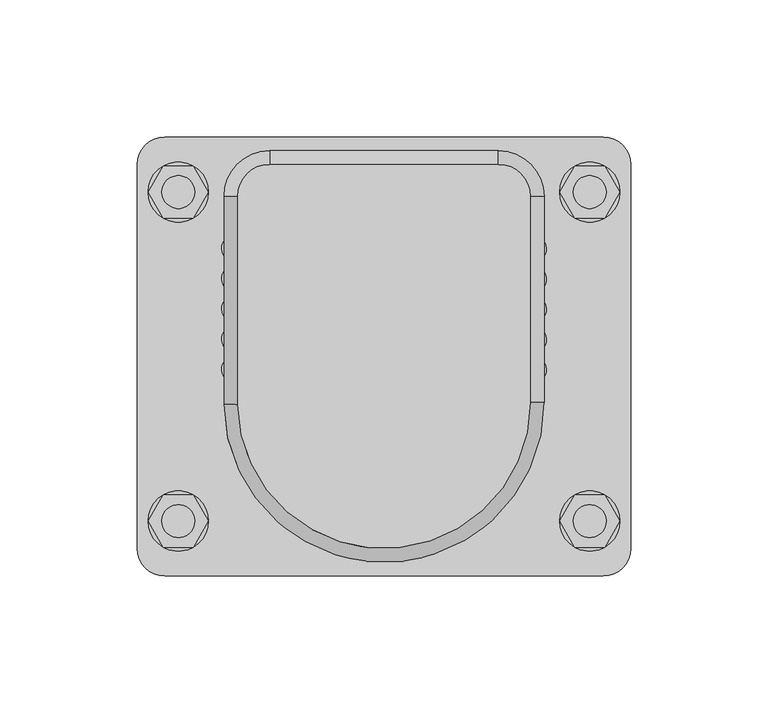
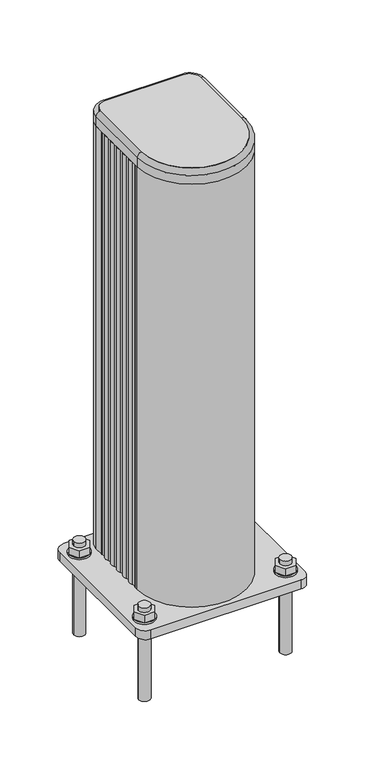
"""IFC4 building model written with IfcOpenShell, lengths in millimetres: proxy geometry."""

import ifcopenshell
import ifcopenshell.guid

model = None  # the IFC model being written
_history = None  # IfcOwnerHistory: only IFC2X3 demands one
_inside = {}  # id of a spatial element -> (the spatial element, [elements in it])
_under = {}  # id of a project, library or spatial element -> (it, [spatial elements below it])
_declared = {}  # id of a project -> (the project, [libraries it declares])
_typed = {}  # id of a type object -> (the type object, [elements of that type])
_made_of = {}  # id of a material, layer set ... -> (it, [elements and type objects made of it])


def new_model(schema):
    """Start an empty IFC model of exactly this schema.

    Asked for "IFC4X3", IfcOpenShell would pick the latest addendum, in which some entities
    have other attributes; the version numbers below select the first issue.
    IFC2X3 requires an IfcOwnerHistory on every rooted entity: one is made here for all.
    """
    global model, _history
    if schema == "IFC4X3":
        model = ifcopenshell.file(schema_version=(4, 3, 0, 0))
    else:
        model = ifcopenshell.file(schema=schema)
    _inside.clear()
    _under.clear()
    _declared.clear()
    _typed.clear()
    _made_of.clear()
    _history = None
    if model.schema == "IFC2X3":
        org = make("IfcOrganization", Name="unknown")
        user = make(
            "IfcPersonAndOrganization",
            ThePerson=make("IfcPerson", FamilyName="unknown"),
            TheOrganization=org,
        )
        app = make(
            "IfcApplication",
            ApplicationDeveloper=org,
            Version="unknown",
            ApplicationFullName="unknown",
            ApplicationIdentifier="unknown",
        )
        _history = make(
            "IfcOwnerHistory",
            OwningUser=user,
            OwningApplication=app,
            ChangeAction="ADDED",
            CreationDate=0,
        )
    return model


def make(cls, **values):
    """One entity of the class cls with the attributes given. An attribute that is None is left unset."""
    return model.create_entity(
        cls, **{name: value for name, value in values.items() if value is not None}
    )


def rooted(cls, **values):
    """An entity with a GlobalId (a new one), such as an element, a storey or a relation."""
    return make(cls, GlobalId=ifcopenshell.guid.new(), OwnerHistory=_history, **values)


def si_unit(unit_type, name, prefix=None):
    """IfcSIUnit, for example si_unit("LENGTHUNIT", "METRE", prefix="MILLI")."""
    return make("IfcSIUnit", UnitType=unit_type, Prefix=prefix, Name=name)


def assignment(units):
    """IfcUnitAssignment: the units of a project."""
    return None if units is None else make("IfcUnitAssignment", Units=units)


def point(xyz):
    """IfcCartesianPoint."""
    return None if xyz is None else make("IfcCartesianPoint", Coordinates=xyz)


def direction(xyz):
    """IfcDirection."""
    return None if xyz is None else make("IfcDirection", DirectionRatios=xyz)


def frame(location, z_axis=None, x_axis=None):
    """IfcAxis2Placement3D, a coordinate frame: its origin and axes. An axis left out is left unset."""
    return make(
        "IfcAxis2Placement3D",
        Location=point(location),
        Axis=direction(z_axis),
        RefDirection=direction(x_axis),
    )


def frame_2d(location, x_axis=None):
    """IfcAxis2Placement2D, a coordinate frame in the plane: its origin and x axis."""
    return make(
        "IfcAxis2Placement2D", Location=point(location), RefDirection=direction(x_axis)
    )


def origin():
    """The frame at (0, 0, 0) with its axes left unset."""
    return frame((0.0, 0.0, 0.0))


def origin_with_axes():
    """The frame at (0, 0, 0) with the z axis (0, 0, 1) and the x axis (1, 0, 0) written out."""
    return frame((0.0, 0.0, 0.0), z_axis=(0.0, 0.0, 1.0), x_axis=(1.0, 0.0, 0.0))


def place(relative_to, where):
    """IfcLocalPlacement: puts the frame where relative to a parent placement (None: the world)."""
    return make(
        "IfcLocalPlacement", PlacementRelTo=relative_to, RelativePlacement=where
    )


def context(
    kind, dimensions, precision=None, world=None, true_north=None, identifier=None
):
    """IfcGeometricRepresentationContext, for example the 3D "Model" context."""
    return make(
        "IfcGeometricRepresentationContext",
        ContextIdentifier=identifier,
        ContextType=kind,
        CoordinateSpaceDimension=dimensions,
        Precision=precision,
        WorldCoordinateSystem=world,
        TrueNorth=true_north,
    )


def project(units=None, contexts=None):
    """IfcProject with its units and contexts."""
    return rooted(
        "IfcProject",
        Name="project",
        RepresentationContexts=contexts,
        UnitsInContext=assignment(units),
    )


def spatial(cls, under=None, at=None, **own):
    """A site, building, storey or space (cls), placed at a placement, below another one or the project."""
    s = rooted(cls, ObjectPlacement=at, **own)
    if under is not None:
        _under.setdefault(under.id(), (under, []))[1].append(s)
    return s


def polyline(points):
    """IfcPolyline through the points."""
    return make("IfcPolyline", Points=[point(p) for p in points])


def circle_curve(where, radius):
    """IfcCircle in the frame where."""
    return make("IfcCircle", Position=where, Radius=radius)


def ellipse_curve(where, semi_axis1, semi_axis2):
    """IfcEllipse in the frame where."""
    return make(
        "IfcEllipse", Position=where, SemiAxis1=semi_axis1, SemiAxis2=semi_axis2
    )


def trimmed(basis, trim1, trim2, sense, master):
    """IfcTrimmedCurve: the piece of a basis curve between two trims."""
    return make(
        "IfcTrimmedCurve",
        BasisCurve=basis,
        Trim1=trim1,
        Trim2=trim2,
        SenseAgreement=sense,
        MasterRepresentation=master,
    )


def segment(curve, same_sense, transition):
    """IfcCompositeCurveSegment."""
    return make(
        "IfcCompositeCurveSegment",
        Transition=transition,
        SameSense=same_sense,
        ParentCurve=curve,
    )


def composite_curve(segments, self_intersect=None):
    """IfcCompositeCurve: segments joined end to end."""
    return make("IfcCompositeCurve", Segments=segments, SelfIntersect=self_intersect)


def outline(outer, holes=None, kind="AREA"):
    """IfcArbitraryClosedProfileDef: a profile drawn as a closed curve; with holes, ...WithVoids."""
    if holes is None:
        return make("IfcArbitraryClosedProfileDef", ProfileType=kind, OuterCurve=outer)
    return make(
        "IfcArbitraryProfileDefWithVoids",
        ProfileType=kind,
        OuterCurve=outer,
        InnerCurves=holes,
    )


def extrude(swept, where, along, depth):
    """IfcExtrudedAreaSolid: the profile swept, set in the frame where, extruded along a direction by depth."""
    return make(
        "IfcExtrudedAreaSolid",
        SweptArea=swept,
        Position=where,
        ExtrudedDirection=direction(along),
        Depth=depth,
    )


def shape(context_of_items, identifier, shape_type, items):
    """IfcShapeRepresentation: the items that make up one representation, for example the "Body"."""
    return make(
        "IfcShapeRepresentation",
        ContextOfItems=context_of_items,
        RepresentationIdentifier=identifier,
        RepresentationType=shape_type,
        Items=items,
    )


def source(mapping_origin, context_of_items, identifier, shape_type, items):
    """IfcRepresentationMap: a shape defined once, which mapped items show again and again."""
    return make(
        "IfcRepresentationMap",
        MappingOrigin=mapping_origin,
        MappedRepresentation=shape(context_of_items, identifier, shape_type, items),
    )


def transform(
    local_origin,
    x_axis=None,
    y_axis=None,
    z_axis=None,
    scale=None,
    scale2=None,
    scale3=None,
    uniform=True,
):
    """IfcCartesianTransformationOperator3D, or its non-uniform kind. x_axis, y_axis, z_axis: its Axis1, 2, 3."""
    if uniform:
        return make(
            "IfcCartesianTransformationOperator3D",
            Axis1=direction(x_axis),
            Axis2=direction(y_axis),
            LocalOrigin=point(local_origin),
            Scale=scale,
            Axis3=direction(z_axis),
        )
    return make(
        "IfcCartesianTransformationOperator3DnonUniform",
        Axis1=direction(x_axis),
        Axis2=direction(y_axis),
        LocalOrigin=point(local_origin),
        Scale=scale,
        Axis3=direction(z_axis),
        Scale2=scale2,
        Scale3=scale3,
    )


def mapped(mapping_source, mapping_target):
    """IfcMappedItem: shows the shape of a source again, moved by a transform."""
    return make(
        "IfcMappedItem", MappingSource=mapping_source, MappingTarget=mapping_target
    )


def made_of(thing, what):
    """Note that an element or type object is made of a material, layer set ...; save() writes the relation."""
    if what is not None:
        _made_of.setdefault(what.id(), (what, []))[1].append(thing)
    return thing


def element(
    cls,
    number,
    at=None,
    inside=None,
    cuts=None,
    type_object=None,
    material=None,
    context=None,
    identifier="Body",
    shape_type=None,
    held_by="IfcProductDefinitionShape",
    body=None,
    shapes=None,
    **own,
):
    """One element of the class cls, such as IfcWall. Its Tag is "e" and its number.

    at: its placement. inside: the storey or other place that contains it. cuts: it is an
    opening in that element (IfcRelVoidsElement). A single representation is given by context,
    identifier, shape_type and body (its items); several are given by shapes. held_by: the class
    of the entity that holds the representations. save() writes the other relations.
    """
    e = rooted(cls, Tag="e%d" % number, ObjectPlacement=at, **own)
    if body is not None:
        shapes = [shape(context, identifier, shape_type, body)]
    if shapes is not None:
        e.Representation = make(held_by, Representations=shapes)
    if inside is not None:
        _inside.setdefault(inside.id(), (inside, []))[1].append(e)
    if cuts is not None:
        rooted(
            "IfcRelVoidsElement", RelatingBuildingElement=cuts, RelatedOpeningElement=e
        )
    if type_object is not None:
        _typed.setdefault(type_object.id(), (type_object, []))[1].append(e)
    return made_of(e, material)


def aggregate(whole, parts):
    """IfcRelAggregates: a whole, such as a stair, and the parts it consists of."""
    return rooted("IfcRelAggregates", RelatingObject=whole, RelatedObjects=parts)


def save(model, path):
    """Write the relations noted so far, then the file.

    IfcRelAggregates (storeys below a building ...), IfcRelContainedInSpatialStructure (elements
    in a storey), IfcRelDefinesByType, IfcRelAssociatesMaterial and IfcRelDeclares: one each for
    every whole, place, type object, material and project.
    """
    for whole, parts in _under.values():
        aggregate(whole, parts)
    for where, things in _inside.values():
        rooted(
            "IfcRelContainedInSpatialStructure",
            RelatedElements=things,
            RelatingStructure=where,
        )
    for kind, things in _typed.values():
        rooted("IfcRelDefinesByType", RelatedObjects=things, RelatingType=kind)
    for what, things in _made_of.values():
        rooted("IfcRelAssociatesMaterial", RelatedObjects=things, RelatingMaterial=what)
    for by, libraries in _declared.values():
        rooted("IfcRelDeclares", RelatingContext=by, RelatedDefinitions=libraries)
    model.write(path)


def plane_surface(at):
    """IfcPlane: the flat surface through the origin of the frame at, square to its z axis."""
    return make("IfcPlane", Position=at)


def cylinder_surface(at, radius):
    """IfcCylindricalSurface: all points at the distance radius from the z axis of the frame at."""
    return make("IfcCylindricalSurface", Position=at, Radius=radius)


def revolved_surface(curve, axis_point, axis_direction):
    """IfcSurfaceOfRevolution: the curve turned about the line through axis_point along axis_direction."""
    return make(
        "IfcSurfaceOfRevolution",
        SweptCurve=make("IfcArbitraryOpenProfileDef", ProfileType="CURVE", Curve=curve),
        AxisPosition=make("IfcAxis1Placement", Location=point(axis_point), Axis=direction(axis_direction)),
    )


def advanced_brep(points, edges, surfaces, faces):
    """IfcAdvancedBrep: a solid bounded by faces that lie on surfaces and meet in shared edges.

    An edge is (start, end): straight between two places in points (the first is 0);
    or (start, end, curve); or (start, end, curve, False) where it runs against its curve.
    A face is (place in surfaces, loops), or (place, loops, False) where it looks against
    its surface's normal. A loop lists edges by number (the first is 1), with a minus sign
    where the edge is run from its end to its start. The first loop is the outer one.
    """
    corners = [point(p) for p in points]
    vertices = [make("IfcVertexPoint", VertexGeometry=c) for c in corners]
    made = []
    for start, end, *more in edges:
        made.append(
            make(
                "IfcEdgeCurve",
                EdgeStart=vertices[start],
                EdgeEnd=vertices[end],
                EdgeGeometry=more[0] if more else make("IfcPolyline", Points=[corners[start], corners[end]]),
                SameSense=more[1] if len(more) > 1 else True,
            )
        )
    hull = []
    for where, loops, *sense in faces:
        bounds = []
        for j, loop in enumerate(loops):
            ring = [make("IfcOrientedEdge", EdgeElement=made[abs(k) - 1], Orientation=k > 0) for k in loop]
            bounds.append(
                make(
                    "IfcFaceOuterBound" if j == 0 else "IfcFaceBound",
                    Bound=make("IfcEdgeLoop", EdgeList=ring),
                    Orientation=True,
                )
            )
        hull.append(make("IfcAdvancedFace", Bounds=bounds, FaceSurface=surfaces[where], SameSense=sense[0] if sense else True))
    return make("IfcAdvancedBrep", Outer=make("IfcClosedShell", CfsFaces=hull))


def generic_models_d61faaef(model_context):
    return source(origin(), model_context, "Body", "SolidModel", [
        advanced_brep(
        [(-53.3271255, 58.3688187, 500.0), (-53.3271255, -17.5967199, 500.0), (53.3328932, -16.7593515, 500.0), (53.336924, 58.34191, 500.0), (41.6618951, 70.016939, 500.0), (-41.6790052, 70.016939, 500.0), (-53.3271255, 58.3688187, 485.0), (-41.6790052, 70.016939, 485.0), (41.6618951, 70.016939, 485.0), (53.336924, 58.34191, 485.0), (53.336924, -16.7593515, 485.0), (-53.3271255, -17.5967199, 485.0)],
        [
            (0, 1),
            (1, 2, circle_curve(frame((-0.0004032, -16.7593515, 500.0), z_axis=(0.0, 0.0, 1.0), x_axis=(-1.0, 0.0, 0.0)), 53.3332964)),
            (2, 3),
            (3, 4, circle_curve(frame((41.6618951, 58.34191, 500.0), z_axis=(0.0, 0.0, 1.0), x_axis=(-1.0, 0.0, 0.0)), 11.675029)),
            (4, 5),
            (5, 0, circle_curve(frame((-41.6790052, 58.3688187, 500.0), z_axis=(0.0, 0.0, 1.0), x_axis=(-1.0, 0.0, 0.0)), 11.6481203)),
            (6, 7, circle_curve(frame((-41.6790052, 58.3688187, 485.0), z_axis=(0.0, 0.0, -1.0), x_axis=(-1.0, 0.0, 0.0)), 11.6481203)),
            (7, 8),
            (8, 9, circle_curve(frame((41.6618951, 58.34191, 485.0), z_axis=(0.0, 0.0, -1.0), x_axis=(-1.0, 0.0, 0.0)), 11.675029)),
            (9, 10),
            (10, 11, circle_curve(frame((-0.0004032, -16.7593515, 485.0), z_axis=(0.0, 0.0, -1.0), x_axis=(-1.0, 0.0, 0.0)), 53.3332964)),
            (11, 6),
            (0, 6),
            (11, 1),
            (10, 2),
            (9, 3),
            (8, 4),
            (7, 5),
        ],
        [
            plane_surface(frame((-53.3271255, -17.5967199, 500.0), z_axis=(0.0, 0.0, 1.0), x_axis=(0.0, -1.0, 0.0))),
            plane_surface(frame((-53.3271255, -17.5967199, 485.0), z_axis=(0.0, 0.0, -1.0), x_axis=(0.0, 1.0, 0.0))),
            plane_surface(frame((-53.3271255, 58.3688187, 500.0), z_axis=(-1.0, 0.0, 0.0), x_axis=(0.0, 0.0, -1.0))),
            cylinder_surface(frame((-0.0004032, -16.7593515, 485.0), z_axis=(0.0, 0.0, 1.0), x_axis=(-1.0, 0.0, 0.0)), 53.3332964),
            plane_surface(frame((53.336924, -16.7593515, 500.0), z_axis=(1.0, 0.0, 0.0), x_axis=(0.0, 0.0, -1.0))),
            cylinder_surface(frame((41.6618951, 58.34191, 485.0), z_axis=(0.0, 0.0, 1.0), x_axis=(-1.0, 0.0, 0.0)), 11.675029),
            plane_surface(frame((41.6618951, 70.016939, 500.0), z_axis=(0.0, 1.0, 0.0), x_axis=(0.0, 0.0, -1.0))),
            cylinder_surface(frame((-41.6790052, 58.3688187, 485.0), z_axis=(0.0, 0.0, 1.0), x_axis=(-1.0, 0.0, 0.0)), 11.6481203),
        ],
        [
            (0, [[1, 2, 3, 4, 5, 6]]),
            (1, [[7, 8, 9, 10, 11, 12]]),
            (2, [[-1, 13, -12, 14]]),
            (3, [[-2, -14, -11, 15]]),
            (4, [[-3, -15, -10, 16]]),
            (5, [[-4, -16, -9, 17]]),
            (6, [[-5, -17, -8, 18]]),
            (7, [[-6, -18, -7, -13]]),
        ],
    ),
        advanced_brep(
        [(-58.3271255, 58.3688187, 495.0), (-41.6790052, 75.016939, 495.0), (-41.6790052, 75.016939, 485.0), (-58.3271255, 58.3688187, 485.0), (-53.3271255, 58.3688187, 500.0), (-41.6790052, 70.016939, 500.0), (-53.3271255, 58.3688187, 485.0), (-41.6790052, 70.016939, 485.0), (-58.3271255, -17.6350947, 485.0), (-58.3271255, -17.6350947, 495.0), (-53.3265091, -17.6350947, 500.0), (-53.3271255, -17.6350947, 485.0), (58.3328932, -16.7593515, 495.0), (58.3328932, -16.7593515, 485.0), (53.3328932, -16.7593515, 500.0), (53.3328932, -16.7593515, 485.0), (41.6618951, 75.016939, 485.0), (58.336924, 58.34191, 485.0), (53.336924, 58.34191, 485.0), (41.6618951, 70.016939, 485.0), (58.336924, 58.34191, 495.0), (53.336924, 58.34191, 500.0), (41.6618951, 75.016939, 495.0), (41.6618951, 70.016939, 500.0)],
        [
            (0, 1, circle_curve(frame((-41.6790052, 58.3688187, 495.0), z_axis=(0.0, 0.0, -1.0), x_axis=(0.0, 1.0, 0.0)), 16.6481203)),
            (1, 2),
            (2, 3, circle_curve(frame((-41.6790052, 58.3688187, 485.0), z_axis=(0.0, 0.0, 1.0), x_axis=(0.0, 1.0, 0.0)), 16.6481203)),
            (3, 0),
            (4, 5, circle_curve(frame((-41.6790052, 58.3688187, 500.0), z_axis=(0.0, 0.0, -1.0), x_axis=(0.0, 1.0, 0.0)), 11.6481203)),
            (5, 1, circle_curve(frame((-41.6790052, 70.016939, 495.0), z_axis=(-1.0, 0.0, 0.0), x_axis=(0.0, -1.0, 0.0)), 5.0)),
            (0, 4, circle_curve(frame((-53.3271255, 58.3688187, 495.0), z_axis=(0.0, 1.0, 0.0), x_axis=(1.0, 0.0, 0.0)), 5.0)),
            (6, 7, circle_curve(frame((-41.6790052, 58.3688187, 485.0), z_axis=(0.0, 0.0, -1.0), x_axis=(0.0, 1.0, 0.0)), 11.6481203)),
            (7, 5),
            (4, 6),
            (3, 8),
            (8, 9),
            (9, 0),
            (9, 10, circle_curve(frame((-53.3271255, -17.6350947, 495.0), z_axis=(0.0, 1.0, 0.0), x_axis=(1.0, 0.0, 0.0)), 5.0)),
            (10, 4),
            (10, 11),
            (11, 6),
            (12, 9, circle_curve(frame((-0.0004032, -16.7593515, 495.0), z_axis=(0.0, 0.0, -1.0), x_axis=(-0.9998873023250359, -0.015012749553710326, 0.0)), 58.3332964)),
            (8, 13, circle_curve(frame((-0.0004032, -16.7593515, 485.0), z_axis=(0.0, 0.0, 1.0), x_axis=(-0.9998873023250359, -0.015012749553710326, 0.0)), 58.3332964)),
            (13, 12),
            (14, 10, circle_curve(frame((-0.0004032, -16.7593515, 500.0), z_axis=(0.0, 0.0, -1.0), x_axis=(-0.9998873023250359, -0.015012749553710326, 0.0)), 53.3332964)),
            (12, 14, circle_curve(frame((53.3328932, -16.7593515, 495.0), z_axis=(0.0, -1.0, 0.0), x_axis=(-1.0, 0.0, 0.0)), 5.0)),
            (15, 11, circle_curve(frame((-0.0004032, -16.7593515, 485.0), z_axis=(0.0, 0.0, -1.0), x_axis=(-0.9998873023250359, -0.015012749553710326, 0.0)), 53.3332964)),
            (14, 15),
            (2, 16),
            (16, 17, circle_curve(frame((41.6618951, 58.34191, 485.0), z_axis=(0.0, 0.0, -1.0), x_axis=(1.0, 0.0, 0.0)), 16.675029)),
            (17, 13),
            (15, 18),
            (18, 19, circle_curve(frame((41.6618951, 58.34191, 485.0), z_axis=(0.0, 0.0, 1.0), x_axis=(1.0, 0.0, 0.0)), 11.675029)),
            (19, 7),
            (17, 20),
            (20, 12),
            (20, 21, circle_curve(frame((53.336924, 58.34191, 495.0), z_axis=(0.0, -1.0, 0.0), x_axis=(-1.0, 0.0, 0.0)), 5.0)),
            (21, 14),
            (21, 18),
            (22, 20, circle_curve(frame((41.6618951, 58.34191, 495.0), z_axis=(0.0, 0.0, -1.0), x_axis=(1.0, 0.0, 0.0)), 16.675029)),
            (16, 22),
            (23, 21, circle_curve(frame((41.6618951, 58.34191, 500.0), z_axis=(0.0, 0.0, -1.0), x_axis=(1.0, 0.0, 0.0)), 11.675029)),
            (22, 23, circle_curve(frame((41.6618951, 70.016939, 495.0), z_axis=(1.0, 0.0, 0.0), x_axis=(0.0, -1.0, 0.0)), 5.0)),
            (23, 19),
            (1, 22),
            (5, 23),
        ],
        [
            cylinder_surface(frame((-41.6790052, 58.3688187, 485.0), z_axis=(0.0, 0.0, 1.0), x_axis=(0.0, 1.0, 0.0)), 16.6481203),
            revolved_surface(trimmed(ellipse_curve(frame((-41.6790052, 70.016939, 495.0), z_axis=(1.0, 0.0, 0.0), x_axis=(0.0, -1.0, 0.0)), 5.0, 5.0), [point((-41.6790052, 75.016939, 495.0))], [point((-41.6790052, 70.016939, 500.0))], True, "CARTESIAN"), (-41.6790052, 58.3688187, 485.0), (0.0, 0.0, 1.0)),
            revolved_surface(polyline([(-41.6790052, 70.016939, 500.0), (-41.6790052, 70.016939, 485.0)]), (-41.6790052, 58.3688187, 485.0), (0.0, 0.0, 1.0)),
            plane_surface(frame((-58.3271255, 58.3688187, 485.0), z_axis=(-1.0, 0.0, 0.0), x_axis=(0.0, -1.0, 0.0))),
            cylinder_surface(frame((-53.3271255, 58.3688187, 495.0), z_axis=(0.0, 1.0, 0.0), x_axis=(1.0, 0.0, 0.0)), 5.0),
            plane_surface(frame((-53.3271255, 58.3688187, 500.0), z_axis=(1.0, 0.0, 0.0), x_axis=(0.0, -1.0, 0.0))),
            cylinder_surface(frame((-0.0004032, -16.7593515, 485.0), z_axis=(0.0, 0.0, 1.0), x_axis=(-0.9998873023250359, -0.015012749553710326, 0.0)), 58.3332964),
            revolved_surface(trimmed(ellipse_curve(frame((-53.327689, -17.5600309, 495.0), z_axis=(-0.015012749553710332, 0.9998873023250359, 0.0), x_axis=(0.9998873023250359, 0.015012749553710332, 0.0)), 5.0, 5.0), [point((-58.3271255, -17.6350947, 495.0))], [point((-53.327689, -17.5600309, 500.0))], True, "CARTESIAN"), (-0.0004032, -16.7593515, 485.0), (0.0, 0.0, 1.0)),
            revolved_surface(polyline([(-53.32768906149755, -17.560030921727, 500.0), (-53.32768906149755, -17.560030921727, 485.0)]), (-0.0004032, -16.7593515, 485.0), (0.0, 0.0, 1.0)),
            plane_surface(frame((-0.0004032, -16.7593515, 485.0), z_axis=(0.0, 0.0, -1.0000000000000002), x_axis=(-0.9998873023250359, -0.015012749553710326, 0.0))),
            plane_surface(frame((58.336924, -16.7593515, 485.0), z_axis=(1.0, 0.0, 0.0), x_axis=(0.0, 1.0, 0.0))),
            cylinder_surface(frame((53.336924, -16.7593515, 495.0), z_axis=(0.0, -1.0, 0.0), x_axis=(-1.0, 0.0, 0.0)), 5.0),
            plane_surface(frame((53.336924, -16.7593515, 500.0), z_axis=(-1.0, 0.0, 0.0), x_axis=(0.0, 1.0, 0.0))),
            cylinder_surface(frame((41.6618951, 58.34191, 485.0), z_axis=(0.0, 0.0, 1.0), x_axis=(1.0, 0.0, 0.0)), 16.675029),
            revolved_surface(trimmed(ellipse_curve(frame((53.336924, 58.34191, 495.0), z_axis=(0.0, -1.0, 0.0), x_axis=(-1.0, 0.0, 0.0)), 5.0, 5.0), [point((58.336924, 58.34191, 495.0))], [point((53.336924, 58.34191, 500.0))], True, "CARTESIAN"), (41.6618951, 58.34191, 485.0), (0.0, 0.0, 1.0)),
            revolved_surface(polyline([(53.336924100000005, 58.34191, 500.0), (53.336924100000005, 58.34191, 485.0)]), (41.6618951, 58.34191, 485.0), (0.0, 0.0, 1.0)),
            plane_surface(frame((41.6618951, 75.016939, 485.0), z_axis=(0.0, 1.0, 0.0), x_axis=(-1.0, 0.0, 0.0))),
            cylinder_surface(frame((41.6618951, 70.016939, 495.0), z_axis=(1.0, 0.0, 0.0), x_axis=(0.0, -1.0, 0.0)), 5.0),
            plane_surface(frame((41.6618951, 70.016939, 500.0), z_axis=(0.0, -1.0, 0.0), x_axis=(-1.0, 0.0, 0.0))),
        ],
        [
            (0, [[1, 2, 3, 4]]),
            (1, [[5, 6, -1, 7]]),
            (2, [[8, 9, -5, 10]]),
            (3, [[-4, 11, 12, 13]]),
            (4, [[-7, -13, 14, 15]]),
            (5, [[-10, -15, 16, 17]]),
            (6, [[18, -12, 19, 20]]),
            (7, [[21, -14, -18, 22]]),
            (8, [[23, -16, -21, 24]]),
            (9, [[-19, -11, -3, 25, 26, 27], [28, 29, 30, -8, -17, -23]]),
            (10, [[-20, -27, 31, 32]]),
            (11, [[-22, -32, 33, 34]]),
            (12, [[-24, -34, 35, -28]]),
            (13, [[36, -31, -26, 37]]),
            (14, [[38, -33, -36, 39]]),
            (15, [[-29, -35, -38, 40]]),
            (16, [[-37, -25, -2, 41]]),
            (17, [[-39, -41, -6, 42]]),
            (18, [[-40, -42, -9, -30]]),
        ],
    ),
        extrude(outline(composite_curve([segment(trimmed(circle_curve(frame_2d((30.0002269, 46.6681268)), 11.6658192), [point((30.0002269, 58.333946))], [point((41.666046, 46.6681268))], False, "CARTESIAN"), True, "CONTINUOUS"), segment(polyline([(41.666046, 46.6681268), (41.666046, -16.6655231)]), True, "CONTINUOUS"), segment(trimmed(circle_curve(frame_2d((-0.0006947, -16.6655231)), 41.6667407), [point((41.666046, -16.6655231))], [point((-41.6674354, -16.6655231))], False, "CARTESIAN"), True, "CONTINUOUS"), segment(polyline([(-41.6674354, -16.6655231), (-41.6674354, 46.6689665)]), True, "CONTINUOUS"), segment(trimmed(circle_curve(frame_2d((-30.000748, 46.6689665)), 11.6666874), [point((-41.6674354, 46.6689665))], [point((-29.8011282, 58.333946))], False, "CARTESIAN"), True, "CONTINUOUS"), segment(polyline([(-29.8011282, 58.333946), (30.0002269, 58.333946)]), True, "CONTINUOUS")], self_intersect=False), holes=[composite_curve([segment(polyline([(30.0002269, 56.333946), (-29.8190437, 56.333946)]), True, "CONTINUOUS"), segment(trimmed(circle_curve(frame_2d((-30.000748, 46.6689665)), 9.6666874), [point((-29.8190437, 56.333946))], [point((-39.6674354, 46.6689665))], True, "CARTESIAN"), True, "CONTINUOUS"), segment(polyline([(-39.6674354, 46.6689665), (-39.6674354, -16.6655231)]), True, "CONTINUOUS"), segment(trimmed(circle_curve(frame_2d((-0.0006947, -16.6655231)), 39.6667407), [point((-39.6674354, -16.6655231))], [point((39.666046, -16.6655231))], True, "CARTESIAN"), True, "CONTINUOUS"), segment(polyline([(39.666046, -16.6655231), (39.666046, 46.6681268)]), True, "CONTINUOUS"), segment(trimmed(circle_curve(frame_2d((30.0002269, 46.6681268)), 9.6658192), [point((39.666046, 46.6681268))], [point((30.0002269, 56.333946))], True, "CARTESIAN"), True, "CONTINUOUS")], self_intersect=False)]), origin_with_axes(), (0.0, 0.0, 1.0), 300.0),
        extrude(outline(polyline([(-69.5, 69.5262794), (-64.0, 60.0), (-69.5, 50.4737206), (-80.5, 50.4737206), (-86.0, 60.0), (-80.5, 69.5262794), (-69.5, 69.5262794)]), holes=[composite_curve([segment(trimmed(circle_curve(frame_2d((-75.0, 60.0)), 6.0), [point((-81.0, 60.0))], [point((-69.0, 60.0))], True, "CARTESIAN"), True, "CONTINUOUS"), segment(trimmed(circle_curve(frame_2d((-75.0, 60.0)), 6.0), [point((-69.0, 60.0))], [point((-81.0, 60.0))], True, "CARTESIAN"), True, "CONTINUOUS")], self_intersect=False)]), frame((0.0, 0.0, 12.0), z_axis=(0.0, 0.0, 1.0), x_axis=(1.0, 0.0, 0.0)), (0.0, 0.0, 1.0), 8.0),
        extrude(outline(polyline([(80.5, 69.5262794), (86.0, 60.0), (80.5, 50.4737206), (69.5, 50.4737206), (64.0, 60.0), (69.5, 69.5262794), (80.5, 69.5262794)]), holes=[composite_curve([segment(trimmed(circle_curve(frame_2d((75.0, 60.0)), 6.0), [point((81.0, 60.0))], [point((69.0, 60.0))], True, "CARTESIAN"), True, "CONTINUOUS"), segment(trimmed(circle_curve(frame_2d((75.0, 60.0)), 6.0), [point((69.0, 60.0))], [point((81.0, 60.0))], True, "CARTESIAN"), True, "CONTINUOUS")], self_intersect=False)]), frame((0.0, 0.0, 12.0), z_axis=(0.0, 0.0, 1.0), x_axis=(1.0, 0.0, 0.0)), (0.0, 0.0, 1.0), 8.0),
        extrude(outline(polyline([(80.5, -50.4737206), (86.0, -60.0), (80.5, -69.5262794), (69.5, -69.5262794), (64.0, -60.0), (69.5, -50.4737206), (80.5, -50.4737206)]), holes=[composite_curve([segment(trimmed(circle_curve(frame_2d((75.0, -60.0)), 6.0), [point((81.0, -60.0))], [point((69.0, -60.0))], True, "CARTESIAN"), True, "CONTINUOUS"), segment(trimmed(circle_curve(frame_2d((75.0, -60.0)), 6.0), [point((69.0, -60.0))], [point((81.0, -60.0))], True, "CARTESIAN"), True, "CONTINUOUS")], self_intersect=False)]), frame((0.0, 0.0, 12.0), z_axis=(0.0, 0.0, 1.0), x_axis=(1.0, 0.0, 0.0)), (0.0, 0.0, 1.0), 8.0),
        extrude(outline(polyline([(-69.5, -50.4737206), (-64.0, -60.0), (-69.5, -69.5262794), (-80.5, -69.5262794), (-86.0, -60.0), (-80.5, -50.4737206), (-69.5, -50.4737206)]), holes=[composite_curve([segment(trimmed(circle_curve(frame_2d((-75.0, -60.0)), 6.0), [point((-69.0, -60.0))], [point((-81.0, -60.0))], True, "CARTESIAN"), True, "CONTINUOUS"), segment(trimmed(circle_curve(frame_2d((-75.0, -60.0)), 6.0), [point((-81.0, -60.0))], [point((-69.0, -60.0))], True, "CARTESIAN"), True, "CONTINUOUS")], self_intersect=False)]), frame((0.0, 0.0, 12.0), z_axis=(0.0, 0.0, 1.0), x_axis=(1.0, 0.0, 0.0)), (0.0, 0.0, 1.0), 8.0),
        extrude(outline(composite_curve([segment(trimmed(circle_curve(frame_2d((75.0, 60.0)), 11.0), [point((64.0, 60.0))], [point((86.0, 60.0))], False, "CARTESIAN"), True, "CONTINUOUS"), segment(trimmed(circle_curve(frame_2d((75.0, 60.0)), 11.0), [point((86.0, 60.0))], [point((64.0, 60.0))], False, "CARTESIAN"), True, "CONTINUOUS")], self_intersect=False), holes=[composite_curve([segment(trimmed(circle_curve(frame_2d((75.0, 60.0)), 6.0), [point((81.0, 60.0))], [point((69.0, 60.0))], True, "CARTESIAN"), True, "CONTINUOUS"), segment(trimmed(circle_curve(frame_2d((75.0, 60.0)), 6.0), [point((69.0, 60.0))], [point((81.0, 60.0))], True, "CARTESIAN"), True, "CONTINUOUS")], self_intersect=False)]), frame((0.0, 0.0, 10.0), z_axis=(0.0, 0.0, 1.0), x_axis=(1.0, 0.0, 0.0)), (0.0, 0.0, 1.0), 2.0),
        extrude(outline(composite_curve([segment(trimmed(circle_curve(frame_2d((-75.0, 60.0)), 11.0), [point((-86.0, 60.0))], [point((-64.0, 60.0))], False, "CARTESIAN"), True, "CONTINUOUS"), segment(trimmed(circle_curve(frame_2d((-75.0, 60.0)), 11.0), [point((-64.0, 60.0))], [point((-86.0, 60.0))], False, "CARTESIAN"), True, "CONTINUOUS")], self_intersect=False), holes=[composite_curve([segment(trimmed(circle_curve(frame_2d((-75.0, 60.0)), 6.0), [point((-69.0, 60.0))], [point((-81.0, 60.0))], True, "CARTESIAN"), True, "CONTINUOUS"), segment(trimmed(circle_curve(frame_2d((-75.0, 60.0)), 6.0), [point((-81.0, 60.0))], [point((-69.0, 60.0))], True, "CARTESIAN"), True, "CONTINUOUS")], self_intersect=False)]), frame((0.0, 0.0, 10.0), z_axis=(0.0, 0.0, 1.0), x_axis=(1.0, 0.0, 0.0)), (0.0, 0.0, 1.0), 2.0),
        extrude(outline(composite_curve([segment(trimmed(circle_curve(frame_2d((-75.0, -60.0)), 11.0), [point((-86.0, -60.0))], [point((-64.0, -60.0))], False, "CARTESIAN"), True, "CONTINUOUS"), segment(trimmed(circle_curve(frame_2d((-75.0, -60.0)), 11.0), [point((-64.0, -60.0))], [point((-86.0, -60.0))], False, "CARTESIAN"), True, "CONTINUOUS")], self_intersect=False), holes=[composite_curve([segment(trimmed(circle_curve(frame_2d((-75.0, -60.0)), 6.0), [point((-69.0, -60.0))], [point((-81.0, -60.0))], True, "CARTESIAN"), True, "CONTINUOUS"), segment(trimmed(circle_curve(frame_2d((-75.0, -60.0)), 6.0), [point((-81.0, -60.0))], [point((-69.0, -60.0))], True, "CARTESIAN"), True, "CONTINUOUS")], self_intersect=False)]), frame((0.0, 0.0, 10.0), z_axis=(0.0, 0.0, 1.0), x_axis=(1.0, 0.0, 0.0)), (0.0, 0.0, 1.0), 2.0),
        extrude(outline(composite_curve([segment(trimmed(circle_curve(frame_2d((75.0, -60.0)), 11.0), [point((64.0, -60.0))], [point((86.0, -60.0))], False, "CARTESIAN"), True, "CONTINUOUS"), segment(trimmed(circle_curve(frame_2d((75.0, -60.0)), 11.0), [point((86.0, -60.0))], [point((64.0, -60.0))], False, "CARTESIAN"), True, "CONTINUOUS")], self_intersect=False), holes=[composite_curve([segment(trimmed(circle_curve(frame_2d((75.0, -60.0)), 6.0), [point((81.0, -60.0))], [point((69.0, -60.0))], True, "CARTESIAN"), True, "CONTINUOUS"), segment(trimmed(circle_curve(frame_2d((75.0, -60.0)), 6.0), [point((69.0, -60.0))], [point((81.0, -60.0))], True, "CARTESIAN"), True, "CONTINUOUS")], self_intersect=False)]), frame((0.0, 0.0, 10.0), z_axis=(0.0, 0.0, 1.0), x_axis=(1.0, 0.0, 0.0)), (0.0, 0.0, 1.0), 2.0),
        extrude(outline(composite_curve([segment(trimmed(circle_curve(frame_2d((75.0, 60.0)), 6.0), [point((81.0, 60.0))], [point((69.0, 60.0))], False, "CARTESIAN"), True, "CONTINUOUS"), segment(trimmed(circle_curve(frame_2d((75.0, 60.0)), 6.0), [point((69.0, 60.0))], [point((81.0, 60.0))], False, "CARTESIAN"), True, "CONTINUOUS")], self_intersect=False)), frame((0.0, 0.0, -80.0), z_axis=(0.0, 0.0, 1.0), x_axis=(1.0, 0.0, 0.0)), (0.0, 0.0, 1.0), 105.0),
        extrude(outline(composite_curve([segment(trimmed(circle_curve(frame_2d((-75.0, 60.0)), 6.0), [point((-69.0, 60.0))], [point((-81.0, 60.0))], False, "CARTESIAN"), True, "CONTINUOUS"), segment(trimmed(circle_curve(frame_2d((-75.0, 60.0)), 6.0), [point((-81.0, 60.0))], [point((-69.0, 60.0))], False, "CARTESIAN"), True, "CONTINUOUS")], self_intersect=False)), frame((0.0, 0.0, -80.0), z_axis=(0.0, 0.0, 1.0), x_axis=(1.0, 0.0, 0.0)), (0.0, 0.0, 1.0), 105.0),
        extrude(outline(composite_curve([segment(trimmed(circle_curve(frame_2d((75.0, -60.0)), 6.0), [point((69.0, -60.0))], [point((81.0, -60.0))], False, "CARTESIAN"), True, "CONTINUOUS"), segment(trimmed(circle_curve(frame_2d((75.0, -60.0)), 6.0), [point((81.0, -60.0))], [point((69.0, -60.0))], False, "CARTESIAN"), True, "CONTINUOUS")], self_intersect=False)), frame((0.0, 0.0, -80.0), z_axis=(0.0, 0.0, 1.0), x_axis=(1.0, 0.0, 0.0)), (0.0, 0.0, 1.0), 105.0),
        extrude(outline(composite_curve([segment(trimmed(circle_curve(frame_2d((-75.0, -60.0)), 6.0), [point((-81.0, -60.0))], [point((-69.0, -60.0))], False, "CARTESIAN"), True, "CONTINUOUS"), segment(trimmed(circle_curve(frame_2d((-75.0, -60.0)), 6.0), [point((-69.0, -60.0))], [point((-81.0, -60.0))], False, "CARTESIAN"), True, "CONTINUOUS")], self_intersect=False)), frame((0.0, 0.0, -80.0), z_axis=(0.0, 0.0, 1.0), x_axis=(1.0, 0.0, 0.0)), (0.0, 0.0, 1.0), 105.0),
        advanced_brep(
        [(-41.6790052, 75.016939, 485.0), (-58.3271255, 58.3688187, 485.0), (-58.3271255, 48.1290503, 485.0), (-58.0417309, 47.112177, 485.0), (-58.4712029, 41.8425034, 485.0), (-58.1869555, 36.3328706, 485.0), (-58.4733786, 30.8127117, 485.0), (-58.1882794, 25.3036102, 485.0), (-58.4741913, 19.7828414, 485.0), (-58.1887846, 14.2743998, 485.0), (-58.4745137, 8.7507106, 485.0), (-58.1881381, 3.2436346, 485.0), (-58.4740413, -2.2822423, 485.0), (-58.1890778, -7.7894462, 485.0), (-57.9581754, -12.4467654, 485.0), (-58.3271255, -14.0049606, 485.0), (-58.3271255, -17.6350947, 485.0), (58.3328932, -16.7593515, 485.0), (58.336924, -14.1198393, 485.0), (57.9573827, -12.4478336, 485.0), (58.4683535, -7.368045, 485.0), (58.1825071, -1.8421531, 485.0), (58.4683194, 3.6660546, 485.0), (58.1833755, 9.1907561, 485.0), (58.468999, 14.6966913, 485.0), (58.1834438, 20.2203026, 485.0), (58.4691231, 25.7262162, 485.0), (58.1836551, 31.2498685, 485.0), (58.4694743, 36.755715, 485.0), (58.1842307, 42.2794955, 485.0), (58.0417928, 47.0928909, 485.0), (58.336924, 48.1236299, 485.0), (58.336924, 58.34191, 485.0), (41.6618951, 75.016939, 485.0), (-41.6674354, -16.6655231, 485.0), (-41.6674354, 46.6689665, 485.0), (-29.8011282, 58.333946, 485.0), (30.0002269, 58.333946, 485.0), (41.666046, 46.6681268, 485.0), (41.666046, -16.6655231, 485.0), (-41.6790052, 75.016939, 10.0), (41.6618951, 75.016939, 10.0), (58.336924, 58.34191, 10.0), (58.336924, 48.1236299, 10.0), (58.0417928, 47.0928909, 10.0), (58.1842307, 42.2794955, 10.0), (58.4694743, 36.755715, 10.0), (58.1836551, 31.2498685, 10.0), (58.4691231, 25.7262162, 10.0), (58.1834438, 20.2203026, 10.0), (58.468999, 14.6966913, 10.0), (58.1833755, 9.1907561, 10.0), (58.4683194, 3.6660546, 10.0), (58.1825071, -1.8421531, 10.0), (58.4683535, -7.368045, 10.0), (57.9573827, -12.4478336, 10.0), (58.336924, -14.1198393, 10.0), (58.336924, -16.7593515, 10.0), (-58.3271255, -17.6350947, 10.0), (-58.3271255, -14.0049606, 10.0), (-57.9581754, -12.4467654, 10.0), (-58.1890778, -7.7894462, 10.0), (-58.4740413, -2.2822423, 10.0), (-58.1881381, 3.2436346, 10.0), (-58.4745137, 8.7507106, 10.0), (-58.1887846, 14.2743998, 10.0), (-58.4741913, 19.7828414, 10.0), (-58.1882794, 25.3036102, 10.0), (-58.4733786, 30.8127117, 10.0), (-58.1869555, 36.3328706, 10.0), (-58.4712029, 41.8425034, 10.0), (-58.0417309, 47.112177, 10.0), (-58.3271255, 48.1290503, 10.0), (-58.3271255, 58.3688187, 10.0), (-41.6674354, -16.6655231, 10.0), (41.666046, -16.6655231, 10.0), (41.666046, 46.6681268, 10.0), (30.0002269, 58.333946, 10.0), (-29.8011282, 58.333946, 10.0), (-41.6674354, 46.6689665, 10.0)],
        [
            (0, 1, circle_curve(frame((-41.6790052, 58.3688187, 485.0), z_axis=(0.0, 0.0, 1.0), x_axis=(-1.0, 0.0, 0.0)), 16.6481203)),
            (1, 2),
            (2, 3, circle_curve(frame((-55.972057, 48.2415355, 485.0), z_axis=(0.0, 0.0, 1.0), x_axis=(-1.0, 0.0, 0.0)), 2.3577533)),
            (3, 4, circle_curve(frame((-62.4895574, 44.8223319, 485.0), z_axis=(0.0, 0.0, -1.0), x_axis=(-1.0, 0.0, 0.0)), 5.0026544)),
            (4, 5, circle_curve(frame((-54.1645384, 39.3025398, 485.0), z_axis=(0.0, 0.0, 1.0), x_axis=(-1.0, 0.0, 0.0)), 4.9998774)),
            (5, 6, circle_curve(frame((-62.4909931, 33.7886829, 485.0), z_axis=(0.0, 0.0, -1.0), x_axis=(-1.0, 0.0, 0.0)), 4.9997631)),
            (6, 7, circle_curve(frame((-54.1654787, 28.2737202, 485.0), z_axis=(0.0, 0.0, 1.0), x_axis=(-1.0, 0.0, 0.0)), 5.0004479)),
            (7, 8, circle_curve(frame((-62.4915634, 22.7586826, 485.0), z_axis=(0.0, 0.0, -1.0), x_axis=(-1.0, 0.0, 0.0)), 4.9994909)),
            (8, 9, circle_curve(frame((-54.165831, 17.2444541, 485.0), z_axis=(0.0, 0.0, 1.0), x_axis=(-1.0, 0.0, 0.0)), 5.0005378)),
            (9, 10, circle_curve(frame((-62.4917845, 11.7277505, 485.0), z_axis=(0.0, 0.0, -1.0), x_axis=(-1.0, 0.0, 0.0)), 5.0001231)),
            (10, 11, circle_curve(frame((-54.1659759, 6.2137766, 485.0), z_axis=(0.0, 0.0, 1.0), x_axis=(-1.0, 0.0, 0.0)), 4.9999532)),
            (11, 12, circle_curve(frame((-62.4903719, 0.6958932, 485.0), z_axis=(0.0, 0.0, -1.0), x_axis=(-1.0, 0.0, 0.0)), 5.0000203)),
            (12, 13, circle_curve(frame((-54.1660677, -4.820306, 485.0), z_axis=(0.0, 0.0, 1.0), x_axis=(-1.0, 0.0, 0.0)), 5.0000404)),
            (13, 14, circle_curve(frame((-62.4912298, -10.3371234, 485.0), z_axis=(0.0, 0.0, -1.0), x_axis=(-1.0, 0.0, 0.0)), 4.9999171)),
            (14, 15, circle_curve(frame((-52.1990299, -14.6331959, 485.0), z_axis=(0.0, 0.0, 1.0), x_axis=(-1.0, 0.0, 0.0)), 6.1602139)),
            (15, 16),
            (16, 17, circle_curve(frame((-0.0004032, -16.7593515, 485.0), z_axis=(0.0, 0.0, 1.0), x_axis=(-1.0, 0.0, 0.0)), 58.3332964)),
            (17, 18),
            (18, 19, circle_curve(frame((52.1982644, -14.6342203, 485.0), z_axis=(0.0, 0.0, 1.0), x_axis=(-1.0, 0.0, 0.0)), 6.1601729)),
            (19, 20, circle_curve(frame((62.4904794, -10.3382199, 485.0), z_axis=(0.0, 0.0, -1.0), x_axis=(-1.0, 0.0, 0.0)), 4.9999436)),
            (20, 21, circle_curve(frame((54.1661115, -4.8202546, 485.0), z_axis=(0.0, 0.0, 1.0), x_axis=(-1.0, 0.0, 0.0)), 5.0000522)),
            (21, 22, circle_curve(frame((62.4904517, 0.6958334, 485.0), z_axis=(0.0, 0.0, -1.0), x_axis=(-1.0, 0.0, 0.0)), 4.9999763)),
            (22, 23, circle_curve(frame((54.1661017, 6.2138609, 485.0), z_axis=(0.0, 0.0, 1.0), x_axis=(-1.0, 0.0, 0.0)), 5.0000394)),
            (23, 24, circle_curve(frame((62.4919768, 11.727621, 485.0), z_axis=(0.0, 0.0, -1.0), x_axis=(-1.0, 0.0, 0.0)), 4.9999729)),
            (24, 25, circle_curve(frame((54.1661271, 17.2434318, 485.0), z_axis=(0.0, 0.0, 1.0), x_axis=(-1.0, 0.0, 0.0)), 5.0000593)),
            (25, 26, circle_curve(frame((62.4920271, 22.7571161, 485.0), z_axis=(0.0, 0.0, -1.0), x_axis=(-1.0, 0.0, 0.0)), 4.9999313)),
            (26, 27, circle_curve(frame((54.166215, 28.2730403, 485.0), z_axis=(0.0, 0.0, 1.0), x_axis=(-1.0, 0.0, 0.0)), 5.0001331)),
            (27, 28, circle_curve(frame((62.4921749, 33.7865468, 485.0), z_axis=(0.0, 0.0, -1.0), x_axis=(-1.0, 0.0, 0.0)), 4.999808)),
            (28, 29, circle_curve(frame((54.1664569, 39.3027658, 485.0), z_axis=(0.0, 0.0, 1.0), x_axis=(-1.0, 0.0, 0.0)), 5.0003426)),
            (29, 30, circle_curve(frame((62.4925262, 44.8157918, 485.0), z_axis=(0.0, 0.0, -1.0), x_axis=(-1.0, 0.0, 0.0)), 4.9994209)),
            (30, 31, circle_curve(frame((55.9764147, 48.2418921, 485.0), z_axis=(0.0, 0.0, 1.0), x_axis=(-1.0, 0.0, 0.0)), 2.36347)),
            (31, 32),
            (32, 33, circle_curve(frame((41.6618951, 58.34191, 485.0), z_axis=(0.0, 0.0, 1.0), x_axis=(-1.0, 0.0, 0.0)), 16.675029)),
            (33, 0),
            (34, 35),
            (35, 36, circle_curve(frame((-30.000748, 46.6689665, 485.0), z_axis=(0.0, 0.0, -1.0), x_axis=(-1.0, 0.0, 0.0)), 11.6666874)),
            (36, 37),
            (37, 38, circle_curve(frame((30.0002269, 46.6681268, 485.0), z_axis=(0.0, 0.0, -1.0), x_axis=(-1.0, 0.0, 0.0)), 11.6658192)),
            (38, 39),
            (39, 34, circle_curve(frame((-0.0006947, -16.6655231, 485.0), z_axis=(0.0, 0.0, -1.0), x_axis=(-1.0, 0.0, 0.0)), 41.6667407)),
            (40, 41),
            (41, 42, circle_curve(frame((41.6618951, 58.34191, 10.0), z_axis=(0.0, 0.0, -1.0), x_axis=(-1.0, 0.0, 0.0)), 16.675029)),
            (42, 43),
            (43, 44, circle_curve(frame((55.9764147, 48.2418921, 10.0), z_axis=(0.0, 0.0, -1.0), x_axis=(-1.0, 0.0, 0.0)), 2.36347)),
            (44, 45, circle_curve(frame((62.4925262, 44.8157918, 10.0), z_axis=(0.0, 0.0, 1.0), x_axis=(-1.0, 0.0, 0.0)), 4.9994209)),
            (45, 46, circle_curve(frame((54.1664569, 39.3027658, 10.0), z_axis=(0.0, 0.0, -1.0), x_axis=(-1.0, 0.0, 0.0)), 5.0003426)),
            (46, 47, circle_curve(frame((62.4921749, 33.7865468, 10.0), z_axis=(0.0, 0.0, 1.0), x_axis=(-1.0, 0.0, 0.0)), 4.999808)),
            (47, 48, circle_curve(frame((54.166215, 28.2730403, 10.0), z_axis=(0.0, 0.0, -1.0), x_axis=(-1.0, 0.0, 0.0)), 5.0001331)),
            (48, 49, circle_curve(frame((62.4920271, 22.7571161, 10.0), z_axis=(0.0, 0.0, 1.0), x_axis=(-1.0, 0.0, 0.0)), 4.9999313)),
            (49, 50, circle_curve(frame((54.1661271, 17.2434318, 10.0), z_axis=(0.0, 0.0, -1.0), x_axis=(-1.0, 0.0, 0.0)), 5.0000593)),
            (50, 51, circle_curve(frame((62.4919768, 11.727621, 10.0), z_axis=(0.0, 0.0, 1.0), x_axis=(-1.0, 0.0, 0.0)), 4.9999729)),
            (51, 52, circle_curve(frame((54.1661017, 6.2138609, 10.0), z_axis=(0.0, 0.0, -1.0), x_axis=(-1.0, 0.0, 0.0)), 5.0000394)),
            (52, 53, circle_curve(frame((62.4904517, 0.6958334, 10.0), z_axis=(0.0, 0.0, 1.0), x_axis=(-1.0, 0.0, 0.0)), 4.9999763)),
            (53, 54, circle_curve(frame((54.1661115, -4.8202546, 10.0), z_axis=(0.0, 0.0, -1.0), x_axis=(-1.0, 0.0, 0.0)), 5.0000522)),
            (54, 55, circle_curve(frame((62.4904794, -10.3382199, 10.0), z_axis=(0.0, 0.0, 1.0), x_axis=(-1.0, 0.0, 0.0)), 4.9999436)),
            (55, 56, circle_curve(frame((52.1982644, -14.6342203, 10.0), z_axis=(0.0, 0.0, -1.0), x_axis=(-1.0, 0.0, 0.0)), 6.1601729)),
            (56, 57),
            (57, 58, circle_curve(frame((-0.0004032, -16.7593515, 10.0), z_axis=(0.0, 0.0, -1.0), x_axis=(-1.0, 0.0, 0.0)), 58.3332964)),
            (58, 59),
            (59, 60, circle_curve(frame((-52.1990299, -14.6331959, 10.0), z_axis=(0.0, 0.0, -1.0), x_axis=(-1.0, 0.0, 0.0)), 6.1602139)),
            (60, 61, circle_curve(frame((-62.4912298, -10.3371234, 10.0), z_axis=(0.0, 0.0, 1.0), x_axis=(-1.0, 0.0, 0.0)), 4.9999171)),
            (61, 62, circle_curve(frame((-54.1660677, -4.820306, 10.0), z_axis=(0.0, 0.0, -1.0), x_axis=(-1.0, 0.0, 0.0)), 5.0000404)),
            (62, 63, circle_curve(frame((-62.4903719, 0.6958932, 10.0), z_axis=(0.0, 0.0, 1.0), x_axis=(-1.0, 0.0, 0.0)), 5.0000203)),
            (63, 64, circle_curve(frame((-54.1659759, 6.2137766, 10.0), z_axis=(0.0, 0.0, -1.0), x_axis=(-1.0, 0.0, 0.0)), 4.9999532)),
            (64, 65, circle_curve(frame((-62.4917845, 11.7277505, 10.0), z_axis=(0.0, 0.0, 1.0), x_axis=(-1.0, 0.0, 0.0)), 5.0001231)),
            (65, 66, circle_curve(frame((-54.165831, 17.2444541, 10.0), z_axis=(0.0, 0.0, -1.0), x_axis=(-1.0, 0.0, 0.0)), 5.0005378)),
            (66, 67, circle_curve(frame((-62.4915634, 22.7586826, 10.0), z_axis=(0.0, 0.0, 1.0), x_axis=(-1.0, 0.0, 0.0)), 4.9994909)),
            (67, 68, circle_curve(frame((-54.1654787, 28.2737202, 10.0), z_axis=(0.0, 0.0, -1.0), x_axis=(-1.0, 0.0, 0.0)), 5.0004479)),
            (68, 69, circle_curve(frame((-62.4909931, 33.7886829, 10.0), z_axis=(0.0, 0.0, 1.0), x_axis=(-1.0, 0.0, 0.0)), 4.9997631)),
            (69, 70, circle_curve(frame((-54.1645384, 39.3025398, 10.0), z_axis=(0.0, 0.0, -1.0), x_axis=(-1.0, 0.0, 0.0)), 4.9998774)),
            (70, 71, circle_curve(frame((-62.4895574, 44.8223319, 10.0), z_axis=(0.0, 0.0, 1.0), x_axis=(-1.0, 0.0, 0.0)), 5.0026544)),
            (71, 72, circle_curve(frame((-55.972057, 48.2415355, 10.0), z_axis=(0.0, 0.0, -1.0), x_axis=(-1.0, 0.0, 0.0)), 2.3577533)),
            (72, 73),
            (73, 40, circle_curve(frame((-41.6790052, 58.3688187, 10.0), z_axis=(0.0, 0.0, -1.0), x_axis=(-1.0, 0.0, 0.0)), 16.6481203)),
            (74, 75, circle_curve(frame((-0.0006947, -16.6655231, 10.0), z_axis=(0.0, 0.0, 1.0), x_axis=(-1.0, 0.0, 0.0)), 41.6667407)),
            (75, 76),
            (76, 77, circle_curve(frame((30.0002269, 46.6681268, 10.0), z_axis=(0.0, 0.0, 1.0), x_axis=(-1.0, 0.0, 0.0)), 11.6658192)),
            (77, 78),
            (78, 79, circle_curve(frame((-30.000748, 46.6689665, 10.0), z_axis=(0.0, 0.0, 1.0), x_axis=(-1.0, 0.0, 0.0)), 11.6666874)),
            (79, 74),
            (0, 40),
            (73, 1),
            (2, 72),
            (71, 3),
            (70, 4),
            (69, 5),
            (68, 6),
            (67, 7),
            (66, 8),
            (65, 9),
            (64, 10),
            (63, 11),
            (62, 12),
            (61, 13),
            (60, 14),
            (59, 15),
            (16, 58),
            (57, 17),
            (18, 56),
            (55, 19),
            (54, 20),
            (53, 21),
            (52, 22),
            (51, 23),
            (50, 24),
            (49, 25),
            (48, 26),
            (47, 27),
            (46, 28),
            (45, 29),
            (44, 30),
            (43, 31),
            (32, 42),
            (41, 33),
            (34, 74),
            (79, 35),
            (78, 36),
            (77, 37),
            (76, 38),
            (75, 39),
        ],
        [
            plane_surface(frame((-58.3271255, 58.3688187, 485.0), z_axis=(0.0, 0.0, 1.0), x_axis=(0.0, -1.0, 0.0))),
            plane_surface(frame((-58.3271255, 58.3688187, 10.0), z_axis=(0.0, 0.0, -1.0), x_axis=(0.0, 1.0, 0.0))),
            cylinder_surface(frame((-41.6790052, 58.3688187, 10.0), z_axis=(0.0, 0.0, 1.0), x_axis=(-1.0, 0.0, 0.0)), 16.6481203),
            cylinder_surface(frame((-55.972057, 48.2415355, 10.0), z_axis=(0.0, 0.0, 1.0), x_axis=(-1.0, 0.0, 0.0)), 2.3577533),
            revolved_surface(polyline([(-67.4922118, 44.8223319, 10.0), (-67.4922118, 44.8223319, 485.0)]), (-62.4895574, 44.8223319, 10.0), (0.0, 0.0, -1.0)),
            cylinder_surface(frame((-54.1645384, 39.3025398, 10.0), z_axis=(0.0, 0.0, 1.0), x_axis=(-1.0, 0.0, 0.0)), 4.9998774),
            revolved_surface(polyline([(-67.49075619999999, 33.7886829, 10.0), (-67.49075619999999, 33.7886829, 485.0)]), (-62.4909931, 33.7886829, 10.0), (0.0, 0.0, -1.0)),
            cylinder_surface(frame((-54.1654787, 28.2737202, 10.0), z_axis=(0.0, 0.0, 1.0), x_axis=(-1.0, 0.0, 0.0)), 5.0004479),
            revolved_surface(polyline([(-67.4910543, 22.7586826, 10.0), (-67.4910543, 22.7586826, 485.0)]), (-62.4915634, 22.7586826, 10.0), (0.0, 0.0, -1.0)),
            cylinder_surface(frame((-54.165831, 17.2444541, 10.0), z_axis=(0.0, 0.0, 1.0), x_axis=(-1.0, 0.0, 0.0)), 5.0005378),
            revolved_surface(polyline([(-67.4919076, 11.7277505, 10.0), (-67.4919076, 11.7277505, 485.0)]), (-62.4917845, 11.7277505, 10.0), (0.0, 0.0, -1.0)),
            cylinder_surface(frame((-54.1659759, 6.2137766, 10.0), z_axis=(0.0, 0.0, 1.0), x_axis=(-1.0, 0.0, 0.0)), 4.9999532),
            revolved_surface(polyline([(-67.4903922, 0.6958932, 10.0), (-67.4903922, 0.6958932, 485.0)]), (-62.4903719, 0.6958932, 10.0), (0.0, 0.0, -1.0)),
            cylinder_surface(frame((-54.1660677, -4.820306, 10.0), z_axis=(0.0, 0.0, 1.0), x_axis=(-1.0, 0.0, 0.0)), 5.0000404),
            revolved_surface(polyline([(-67.4911469, -10.3371234, 10.0), (-67.4911469, -10.3371234, 485.0)]), (-62.4912298, -10.3371234, 10.0), (0.0, 0.0, -1.0)),
            cylinder_surface(frame((-52.1990299, -14.6331959, 10.0), z_axis=(0.0, 0.0, 1.0), x_axis=(-1.0, 0.0, 0.0)), 6.1602139),
            cylinder_surface(frame((-0.0004032, -16.7593515, 10.0), z_axis=(0.0, 0.0, 1.0), x_axis=(-1.0, 0.0, 0.0)), 58.3332964),
            cylinder_surface(frame((52.1982644, -14.6342203, 10.0), z_axis=(0.0, 0.0, 1.0), x_axis=(-1.0, 0.0, 0.0)), 6.1601729),
            revolved_surface(polyline([(57.490535799999996, -10.3382199, 10.0), (57.490535799999996, -10.3382199, 485.0)]), (62.4904794, -10.3382199, 10.0), (0.0, 0.0, -1.0)),
            cylinder_surface(frame((54.1661115, -4.8202546, 10.0), z_axis=(0.0, 0.0, 1.0), x_axis=(-1.0, 0.0, 0.0)), 5.0000522),
            revolved_surface(polyline([(57.4904754, 0.6958334, 10.0), (57.4904754, 0.6958334, 485.0)]), (62.4904517, 0.6958334, 10.0), (0.0, 0.0, -1.0)),
            cylinder_surface(frame((54.1661017, 6.2138609, 10.0), z_axis=(0.0, 0.0, 1.0), x_axis=(-1.0, 0.0, 0.0)), 5.0000394),
            revolved_surface(polyline([(57.4920039, 11.727621, 10.0), (57.4920039, 11.727621, 485.0)]), (62.4919768, 11.727621, 10.0), (0.0, 0.0, -1.0)),
            cylinder_surface(frame((54.1661271, 17.2434318, 10.0), z_axis=(0.0, 0.0, 1.0), x_axis=(-1.0, 0.0, 0.0)), 5.0000593),
            revolved_surface(polyline([(57.4920958, 22.7571161, 10.0), (57.4920958, 22.7571161, 485.0)]), (62.4920271, 22.7571161, 10.0), (0.0, 0.0, -1.0)),
            cylinder_surface(frame((54.166215, 28.2730403, 10.0), z_axis=(0.0, 0.0, 1.0), x_axis=(-1.0, 0.0, 0.0)), 5.0001331),
            revolved_surface(polyline([(57.4923669, 33.7865468, 10.0), (57.4923669, 33.7865468, 485.0)]), (62.4921749, 33.7865468, 10.0), (0.0, 0.0, -1.0)),
            cylinder_surface(frame((54.1664569, 39.3027658, 10.0), z_axis=(0.0, 0.0, 1.0), x_axis=(-1.0, 0.0, 0.0)), 5.0003426),
            revolved_surface(polyline([(57.4931053, 44.8157918, 10.0), (57.4931053, 44.8157918, 485.0)]), (62.4925262, 44.8157918, 10.0), (0.0, 0.0, -1.0)),
            cylinder_surface(frame((55.9764147, 48.2418921, 10.0), z_axis=(0.0, 0.0, 1.0), x_axis=(-1.0, 0.0, 0.0)), 2.36347),
            cylinder_surface(frame((41.6618951, 58.34191, 10.0), z_axis=(0.0, 0.0, 1.0), x_axis=(-1.0, 0.0, 0.0)), 16.675029),
            plane_surface(frame((41.6618951, 75.016939, 485.0), z_axis=(0.0, 1.0, 0.0), x_axis=(0.0, 0.0, -1.0))),
            plane_surface(frame((-41.6674354, -16.6655231, 485.0), z_axis=(1.0, 0.0, 0.0), x_axis=(0.0, 0.0, -1.0))),
            revolved_surface(polyline([(-41.6674354, 46.6689665, 10.0), (-41.6674354, 46.6689665, 485.0)]), (-30.000748, 46.6689665, 10.0), (0.0, 0.0, -1.0)),
            plane_surface(frame((-29.8011282, 58.333946, 485.0), z_axis=(0.0, -1.0, 0.0), x_axis=(0.0, 0.0, -1.0))),
            revolved_surface(polyline([(18.3344077, 46.6681268, 10.0), (18.3344077, 46.6681268, 485.0)]), (30.0002269, 46.6681268, 10.0), (0.0, 0.0, -1.0)),
            plane_surface(frame((41.666046, 46.6681268, 485.0), z_axis=(-1.0, 0.0, 0.0), x_axis=(0.0, 0.0, -1.0))),
            revolved_surface(polyline([(-41.667435399999995, -16.6655231, 10.0), (-41.667435399999995, -16.6655231, 485.0)]), (-0.0006947, -16.6655231, 10.0), (0.0, 0.0, -1.0)),
            plane_surface(frame((-58.3271255, 58.3688187, 485.0), z_axis=(-1.0, 0.0, 0.0), x_axis=(0.0, 0.0, -1.0))),
            plane_surface(frame((-58.3271255, -14.0049606, 485.0), z_axis=(-1.0, 0.0, 0.0), x_axis=(0.0, 0.0, -1.0))),
            plane_surface(frame((58.336924, -16.7593515, 485.0), z_axis=(1.0, 0.0, 0.0), x_axis=(0.0, 0.0, -1.0))),
            plane_surface(frame((58.336924, 48.1236299, 485.0), z_axis=(1.0, 0.0, 0.0), x_axis=(0.0, 0.0, -1.0))),
        ],
        [
            (0, [[1, 2, 3, 4, 5, 6, 7, 8, 9, 10, 11, 12, 13, 14, 15, 16, 17, 18, 19, 20, 21, 22, 23, 24, 25, 26, 27, 28, 29, 30, 31, 32, 33, 34], [35, 36, 37, 38, 39, 40]]),
            (1, [[41, 42, 43, 44, 45, 46, 47, 48, 49, 50, 51, 52, 53, 54, 55, 56, 57, 58, 59, 60, 61, 62, 63, 64, 65, 66, 67, 68, 69, 70, 71, 72, 73, 74], [75, 76, 77, 78, 79, 80]]),
            (2, [[-1, 81, -74, 82]]),
            (3, [[-3, 83, -72, 84]]),
            (4, [[-4, -84, -71, 85]]),
            (5, [[-5, -85, -70, 86]]),
            (6, [[-6, -86, -69, 87]]),
            (7, [[-7, -87, -68, 88]]),
            (8, [[-8, -88, -67, 89]]),
            (9, [[-9, -89, -66, 90]]),
            (10, [[-10, -90, -65, 91]]),
            (11, [[-11, -91, -64, 92]]),
            (12, [[-12, -92, -63, 93]]),
            (13, [[-13, -93, -62, 94]]),
            (14, [[-14, -94, -61, 95]]),
            (15, [[-15, -95, -60, 96]]),
            (16, [[-17, 97, -58, 98]]),
            (17, [[-19, 99, -56, 100]]),
            (18, [[-20, -100, -55, 101]]),
            (19, [[-21, -101, -54, 102]]),
            (20, [[-22, -102, -53, 103]]),
            (21, [[-23, -103, -52, 104]]),
            (22, [[-24, -104, -51, 105]]),
            (23, [[-25, -105, -50, 106]]),
            (24, [[-26, -106, -49, 107]]),
            (25, [[-27, -107, -48, 108]]),
            (26, [[-28, -108, -47, 109]]),
            (27, [[-29, -109, -46, 110]]),
            (28, [[-30, -110, -45, 111]]),
            (29, [[-31, -111, -44, 112]]),
            (30, [[-33, 113, -42, 114]]),
            (31, [[-34, -114, -41, -81]]),
            (32, [[-35, 115, -80, 116]]),
            (33, [[-36, -116, -79, 117]]),
            (34, [[-37, -117, -78, 118]]),
            (35, [[-38, -118, -77, 119]]),
            (36, [[-39, -119, -76, 120]]),
            (37, [[-40, -120, -75, -115]]),
            (38, [[-2, -82, -73, -83]]),
            (39, [[-16, -96, -59, -97]]),
            (40, [[-18, -98, -57, -99]]),
            (41, [[-32, -112, -43, -113]]),
        ],
    ),
        extrude(outline(composite_curve([segment(polyline([(-90.0, -70.0), (-90.0, 70.0)]), True, "CONTINUOUS"), segment(trimmed(circle_curve(frame_2d((-80.0, 70.0)), 10.0), [point((-90.0, 70.0))], [point((-80.0, 80.0))], False, "CARTESIAN"), True, "CONTINUOUS"), segment(polyline([(-80.0, 80.0), (80.0, 80.0)]), True, "CONTINUOUS"), segment(trimmed(circle_curve(frame_2d((80.0, 70.0)), 10.0), [point((80.0, 80.0))], [point((90.0, 70.0))], False, "CARTESIAN"), True, "CONTINUOUS"), segment(polyline([(90.0, 70.0), (90.0, -70.0)]), True, "CONTINUOUS"), segment(trimmed(circle_curve(frame_2d((80.0, -70.0)), 10.0), [point((90.0, -70.0))], [point((80.0, -80.0))], False, "CARTESIAN"), True, "CONTINUOUS"), segment(polyline([(80.0, -80.0), (-80.0, -80.0)]), True, "CONTINUOUS"), segment(trimmed(circle_curve(frame_2d((-80.0, -70.0)), 10.0), [point((-80.0, -80.0))], [point((-90.0, -70.0))], False, "CARTESIAN"), True, "CONTINUOUS")], self_intersect=False), holes=[composite_curve([segment(trimmed(circle_curve(frame_2d((75.0, 60.0)), 6.0), [point((69.0, 60.0))], [point((81.0, 60.0))], True, "CARTESIAN"), True, "CONTINUOUS"), segment(trimmed(circle_curve(frame_2d((75.0, 60.0)), 6.0), [point((81.0, 60.0))], [point((69.0, 60.0))], True, "CARTESIAN"), True, "CONTINUOUS")], self_intersect=False), composite_curve([segment(trimmed(circle_curve(frame_2d((75.0, -60.0)), 6.0), [point((69.0, -60.0))], [point((81.0, -60.0))], True, "CARTESIAN"), True, "CONTINUOUS"), segment(trimmed(circle_curve(frame_2d((75.0, -60.0)), 6.0), [point((81.0, -60.0))], [point((69.0, -60.0))], True, "CARTESIAN"), True, "CONTINUOUS")], self_intersect=False), composite_curve([segment(trimmed(circle_curve(frame_2d((-75.0, -60.0)), 6.0), [point((-81.0, -60.0))], [point((-69.0, -60.0))], True, "CARTESIAN"), True, "CONTINUOUS"), segment(trimmed(circle_curve(frame_2d((-75.0, -60.0)), 6.0), [point((-69.0, -60.0))], [point((-81.0, -60.0))], True, "CARTESIAN"), True, "CONTINUOUS")], self_intersect=False), composite_curve([segment(trimmed(circle_curve(frame_2d((-75.0, 60.0)), 6.0), [point((-81.0, 60.0))], [point((-69.0, 60.0))], True, "CARTESIAN"), True, "CONTINUOUS"), segment(trimmed(circle_curve(frame_2d((-75.0, 60.0)), 6.0), [point((-69.0, 60.0))], [point((-81.0, 60.0))], True, "CARTESIAN"), True, "CONTINUOUS")], self_intersect=False)]), origin_with_axes(), (0.0, 0.0, 1.0), 10.0),
    ])


if __name__ == "__main__":
    model = new_model("IFC4")
    model_context = context("Model", 3, world=origin())
    ifc_project = project(units=[si_unit("LENGTHUNIT", "METRE", prefix="MILLI")], contexts=[model_context])
    site = spatial("IfcSite", under=ifc_project)
    building = spatial("IfcBuilding", under=site)
    placement = place(None, origin())
    generic_models_shape = generic_models_d61faaef(model_context)
    element("IfcBuildingElementProxy", 1, Name="Generic Models", at=placement, inside=building, context=model_context, shape_type="MappedRepresentation", body=[
        mapped(generic_models_shape, transform((0.0, 0.0, 0.0), x_axis=(1.0, 0.0, 0.0), y_axis=(0.0, 1.0, 0.0), z_axis=(0.0, 0.0, 1.0))),
    ])
    save(model, "model.ifc")
